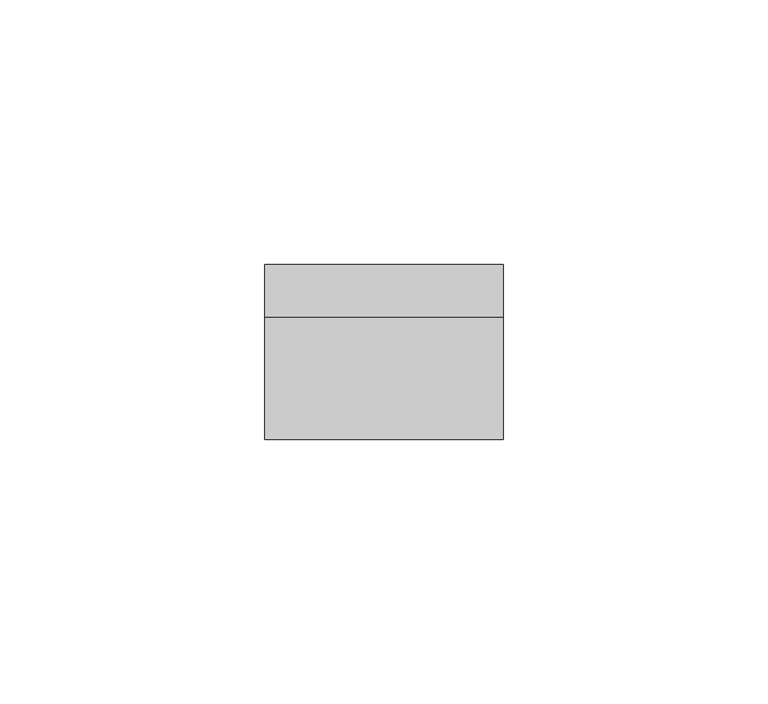
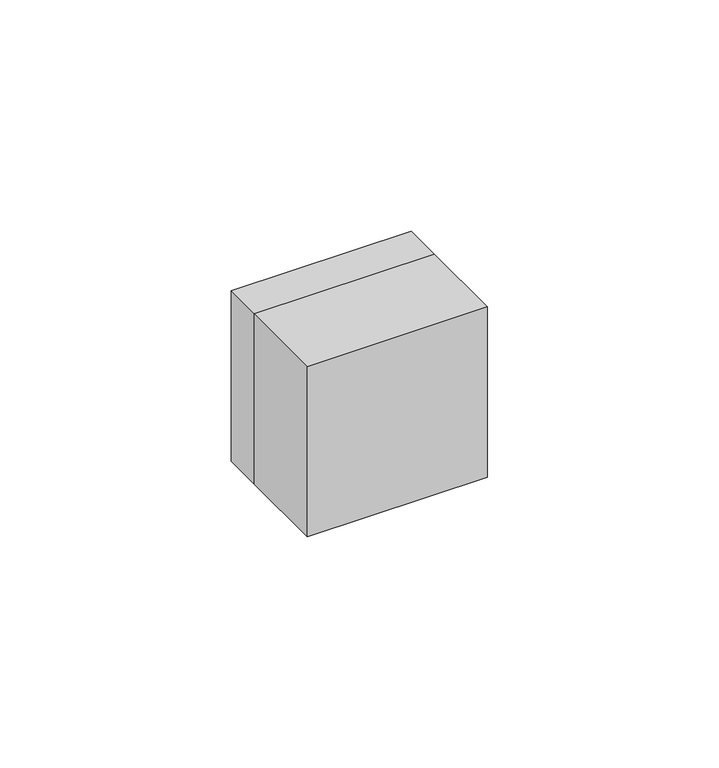
"""IFC4 building model written with IfcOpenShell, lengths in millimetres: electric appliance geometry."""

import ifcopenshell
import ifcopenshell.guid

model = None  # the IFC model being written
_history = None  # IfcOwnerHistory: only IFC2X3 demands one
_inside = {}  # id of a spatial element -> (the spatial element, [elements in it])
_under = {}  # id of a project, library or spatial element -> (it, [spatial elements below it])
_declared = {}  # id of a project -> (the project, [libraries it declares])
_typed = {}  # id of a type object -> (the type object, [elements of that type])
_made_of = {}  # id of a material, layer set ... -> (it, [elements and type objects made of it])


def new_model(schema):
    """Start an empty IFC model of exactly this schema.

    Asked for "IFC4X3", IfcOpenShell would pick the latest addendum, in which some entities
    have other attributes; the version numbers below select the first issue.
    IFC2X3 requires an IfcOwnerHistory on every rooted entity: one is made here for all.
    """
    global model, _history
    if schema == "IFC4X3":
        model = ifcopenshell.file(schema_version=(4, 3, 0, 0))
    else:
        model = ifcopenshell.file(schema=schema)
    _inside.clear()
    _under.clear()
    _declared.clear()
    _typed.clear()
    _made_of.clear()
    _history = None
    if model.schema == "IFC2X3":
        org = make("IfcOrganization", Name="unknown")
        user = make(
            "IfcPersonAndOrganization",
            ThePerson=make("IfcPerson", FamilyName="unknown"),
            TheOrganization=org,
        )
        app = make(
            "IfcApplication",
            ApplicationDeveloper=org,
            Version="unknown",
            ApplicationFullName="unknown",
            ApplicationIdentifier="unknown",
        )
        _history = make(
            "IfcOwnerHistory",
            OwningUser=user,
            OwningApplication=app,
            ChangeAction="ADDED",
            CreationDate=0,
        )
    return model


def make(cls, **values):
    """One entity of the class cls with the attributes given. An attribute that is None is left unset."""
    return model.create_entity(
        cls, **{name: value for name, value in values.items() if value is not None}
    )


def rooted(cls, **values):
    """An entity with a GlobalId (a new one), such as an element, a storey or a relation."""
    return make(cls, GlobalId=ifcopenshell.guid.new(), OwnerHistory=_history, **values)


def si_unit(unit_type, name, prefix=None):
    """IfcSIUnit, for example si_unit("LENGTHUNIT", "METRE", prefix="MILLI")."""
    return make("IfcSIUnit", UnitType=unit_type, Prefix=prefix, Name=name)


def assignment(units):
    """IfcUnitAssignment: the units of a project."""
    return None if units is None else make("IfcUnitAssignment", Units=units)


def point(xyz):
    """IfcCartesianPoint."""
    return None if xyz is None else make("IfcCartesianPoint", Coordinates=xyz)


def direction(xyz):
    """IfcDirection."""
    return None if xyz is None else make("IfcDirection", DirectionRatios=xyz)


def frame(location, z_axis=None, x_axis=None):
    """IfcAxis2Placement3D, a coordinate frame: its origin and axes. An axis left out is left unset."""
    return make(
        "IfcAxis2Placement3D",
        Location=point(location),
        Axis=direction(z_axis),
        RefDirection=direction(x_axis),
    )


def frame_2d(location, x_axis=None):
    """IfcAxis2Placement2D, a coordinate frame in the plane: its origin and x axis."""
    return make(
        "IfcAxis2Placement2D", Location=point(location), RefDirection=direction(x_axis)
    )


def origin():
    """The frame at (0, 0, 0) with its axes left unset."""
    return frame((0.0, 0.0, 0.0))


def place(relative_to, where):
    """IfcLocalPlacement: puts the frame where relative to a parent placement (None: the world)."""
    return make(
        "IfcLocalPlacement", PlacementRelTo=relative_to, RelativePlacement=where
    )


def context(
    kind, dimensions, precision=None, world=None, true_north=None, identifier=None
):
    """IfcGeometricRepresentationContext, for example the 3D "Model" context."""
    return make(
        "IfcGeometricRepresentationContext",
        ContextIdentifier=identifier,
        ContextType=kind,
        CoordinateSpaceDimension=dimensions,
        Precision=precision,
        WorldCoordinateSystem=world,
        TrueNorth=true_north,
    )


def project(units=None, contexts=None):
    """IfcProject with its units and contexts."""
    return rooted(
        "IfcProject",
        Name="project",
        RepresentationContexts=contexts,
        UnitsInContext=assignment(units),
    )


def spatial(cls, under=None, at=None, **own):
    """A site, building, storey or space (cls), placed at a placement, below another one or the project."""
    s = rooted(cls, ObjectPlacement=at, **own)
    if under is not None:
        _under.setdefault(under.id(), (under, []))[1].append(s)
    return s


def polyline(points):
    """IfcPolyline through the points."""
    return make("IfcPolyline", Points=[point(p) for p in points])


def circle_curve(where, radius):
    """IfcCircle in the frame where."""
    return make("IfcCircle", Position=where, Radius=radius)


def trimmed(basis, trim1, trim2, sense, master):
    """IfcTrimmedCurve: the piece of a basis curve between two trims."""
    return make(
        "IfcTrimmedCurve",
        BasisCurve=basis,
        Trim1=trim1,
        Trim2=trim2,
        SenseAgreement=sense,
        MasterRepresentation=master,
    )


def segment(curve, same_sense, transition):
    """IfcCompositeCurveSegment."""
    return make(
        "IfcCompositeCurveSegment",
        Transition=transition,
        SameSense=same_sense,
        ParentCurve=curve,
    )


def composite_curve(segments, self_intersect=None):
    """IfcCompositeCurve: segments joined end to end."""
    return make("IfcCompositeCurve", Segments=segments, SelfIntersect=self_intersect)


def outline(outer, holes=None, kind="AREA"):
    """IfcArbitraryClosedProfileDef: a profile drawn as a closed curve; with holes, ...WithVoids."""
    if holes is None:
        return make("IfcArbitraryClosedProfileDef", ProfileType=kind, OuterCurve=outer)
    return make(
        "IfcArbitraryProfileDefWithVoids",
        ProfileType=kind,
        OuterCurve=outer,
        InnerCurves=holes,
    )


def extrude(swept, where, along, depth):
    """IfcExtrudedAreaSolid: the profile swept, set in the frame where, extruded along a direction by depth."""
    return make(
        "IfcExtrudedAreaSolid",
        SweptArea=swept,
        Position=where,
        ExtrudedDirection=direction(along),
        Depth=depth,
    )


def shape(context_of_items, identifier, shape_type, items):
    """IfcShapeRepresentation: the items that make up one representation, for example the "Body"."""
    return make(
        "IfcShapeRepresentation",
        ContextOfItems=context_of_items,
        RepresentationIdentifier=identifier,
        RepresentationType=shape_type,
        Items=items,
    )


def source(mapping_origin, context_of_items, identifier, shape_type, items):
    """IfcRepresentationMap: a shape defined once, which mapped items show again and again."""
    return make(
        "IfcRepresentationMap",
        MappingOrigin=mapping_origin,
        MappedRepresentation=shape(context_of_items, identifier, shape_type, items),
    )


def transform(
    local_origin,
    x_axis=None,
    y_axis=None,
    z_axis=None,
    scale=None,
    scale2=None,
    scale3=None,
    uniform=True,
):
    """IfcCartesianTransformationOperator3D, or its non-uniform kind. x_axis, y_axis, z_axis: its Axis1, 2, 3."""
    if uniform:
        return make(
            "IfcCartesianTransformationOperator3D",
            Axis1=direction(x_axis),
            Axis2=direction(y_axis),
            LocalOrigin=point(local_origin),
            Scale=scale,
            Axis3=direction(z_axis),
        )
    return make(
        "IfcCartesianTransformationOperator3DnonUniform",
        Axis1=direction(x_axis),
        Axis2=direction(y_axis),
        LocalOrigin=point(local_origin),
        Scale=scale,
        Axis3=direction(z_axis),
        Scale2=scale2,
        Scale3=scale3,
    )


def mapped(mapping_source, mapping_target):
    """IfcMappedItem: shows the shape of a source again, moved by a transform."""
    return make(
        "IfcMappedItem", MappingSource=mapping_source, MappingTarget=mapping_target
    )


def made_of(thing, what):
    """Note that an element or type object is made of a material, layer set ...; save() writes the relation."""
    if what is not None:
        _made_of.setdefault(what.id(), (what, []))[1].append(thing)
    return thing


def element(
    cls,
    number,
    at=None,
    inside=None,
    cuts=None,
    type_object=None,
    material=None,
    context=None,
    identifier="Body",
    shape_type=None,
    held_by="IfcProductDefinitionShape",
    body=None,
    shapes=None,
    **own,
):
    """One element of the class cls, such as IfcWall. Its Tag is "e" and its number.

    at: its placement. inside: the storey or other place that contains it. cuts: it is an
    opening in that element (IfcRelVoidsElement). A single representation is given by context,
    identifier, shape_type and body (its items); several are given by shapes. held_by: the class
    of the entity that holds the representations. save() writes the other relations.
    """
    e = rooted(cls, Tag="e%d" % number, ObjectPlacement=at, **own)
    if body is not None:
        shapes = [shape(context, identifier, shape_type, body)]
    if shapes is not None:
        e.Representation = make(held_by, Representations=shapes)
    if inside is not None:
        _inside.setdefault(inside.id(), (inside, []))[1].append(e)
    if cuts is not None:
        rooted(
            "IfcRelVoidsElement", RelatingBuildingElement=cuts, RelatedOpeningElement=e
        )
    if type_object is not None:
        _typed.setdefault(type_object.id(), (type_object, []))[1].append(e)
    return made_of(e, material)


def aggregate(whole, parts):
    """IfcRelAggregates: a whole, such as a stair, and the parts it consists of."""
    return rooted("IfcRelAggregates", RelatingObject=whole, RelatedObjects=parts)


def save(model, path):
    """Write the relations noted so far, then the file.

    IfcRelAggregates (storeys below a building ...), IfcRelContainedInSpatialStructure (elements
    in a storey), IfcRelDefinesByType, IfcRelAssociatesMaterial and IfcRelDeclares: one each for
    every whole, place, type object, material and project.
    """
    for whole, parts in _under.values():
        aggregate(whole, parts)
    for where, things in _inside.values():
        rooted(
            "IfcRelContainedInSpatialStructure",
            RelatedElements=things,
            RelatingStructure=where,
        )
    for kind, things in _typed.values():
        rooted("IfcRelDefinesByType", RelatedObjects=things, RelatingType=kind)
    for what, things in _made_of.values():
        rooted("IfcRelAssociatesMaterial", RelatedObjects=things, RelatingMaterial=what)
    for by, libraries in _declared.values():
        rooted("IfcRelDeclares", RelatingContext=by, RelatedDefinitions=libraries)
    model.write(path)


def electric_appliance_13647e03(model_context):
    return source(origin(), model_context, "Body", "SweptSolid", [
        extrude(outline(composite_curve([segment(trimmed(circle_curve(frame_2d((0.0, -7.5)), 1.9), [point((0.0, -5.6))], [point((0.0, -9.4))], False, "CARTESIAN"), True, "CONTINUOUS"), segment(trimmed(circle_curve(frame_2d((0.0, -7.5)), 1.9), [point((0.0, -9.4))], [point((0.0, -5.6))], False, "CARTESIAN"), True, "CONTINUOUS")], self_intersect=False), holes=[composite_curve([segment(trimmed(circle_curve(frame_2d((0.0, -7.5)), 1.6), [point((0.0, -9.1))], [point((0.0, -5.9))], True, "CARTESIAN"), True, "CONTINUOUS"), segment(trimmed(circle_curve(frame_2d((0.0, -7.5)), 1.6), [point((0.0, -5.9))], [point((0.0, -9.1))], True, "CARTESIAN"), True, "CONTINUOUS")], self_intersect=False)]), frame((0.0, 0.0, 0.0), z_axis=(0.0, 1.0, 0.0), x_axis=(0.0, 0.0, 1.0)), (0.0, 0.0, 1.0), 10.0),
        extrude(outline(composite_curve([segment(trimmed(circle_curve(frame_2d((0.0, -7.5)), 5.8), [point((0.0, -1.7))], [point((0.0, -13.3))], False, "CARTESIAN"), True, "CONTINUOUS"), segment(trimmed(circle_curve(frame_2d((0.0, -7.5)), 5.8), [point((0.0, -13.3))], [point((0.0, -1.7))], False, "CARTESIAN"), True, "CONTINUOUS")], self_intersect=False), holes=[composite_curve([segment(trimmed(circle_curve(frame_2d((0.0, -7.5)), 5.5), [point((0.0, -2.0))], [point((0.0, -13.0))], True, "CARTESIAN"), True, "CONTINUOUS"), segment(trimmed(circle_curve(frame_2d((0.0, -7.5)), 5.5), [point((0.0, -13.0))], [point((0.0, -2.0))], True, "CARTESIAN"), True, "CONTINUOUS")], self_intersect=False)]), frame((0.0, 0.0, 0.0), z_axis=(0.0, 1.0, 0.0), x_axis=(0.0, 0.0, 1.0)), (0.0, 0.0, 1.0), 10.0),
        extrude(outline(polyline([(12.5, 0.0), (2.5, 0.0), (2.5, 7.0), (12.5, 7.0), (12.5, 0.0)])), frame((0.0, 0.0, 3.0), z_axis=(0.0, 0.0, 1.0), x_axis=(1.0, 0.0, 0.0)), (0.0, 0.0, 1.0), 1.0),
        extrude(outline(polyline([(22.5, -23.0), (-22.5, -23.0), (-22.5, 0.0), (22.5, 0.0), (22.5, -23.0)])), frame((0.0, 0.0, -22.5), z_axis=(0.0, 0.0, 1.0), x_axis=(1.0, 0.0, 0.0)), (0.0, 0.0, 1.0), 45.0),
        extrude(outline(polyline([(22.5, 22.5), (22.5, -22.5), (-22.5, -22.5), (-22.5, 22.5), (22.5, 22.5)]), holes=[polyline([(-7.0, 1.0), (7.0, 1.0), (7.0, 14.0), (-7.0, 14.0), (-7.0, 1.0)]), composite_curve([segment(trimmed(circle_curve(frame_2d((0.0, -7.5)), 6.1), [point((0.0, -1.4))], [point((0.0, -13.6))], True, "CARTESIAN"), True, "CONTINUOUS"), segment(trimmed(circle_curve(frame_2d((0.0, -7.5)), 6.1), [point((0.0, -13.6))], [point((0.0, -1.4))], True, "CARTESIAN"), True, "CONTINUOUS")], self_intersect=False)]), frame((0.0, 0.0, 0.0), z_axis=(0.0, 1.0, 0.0), x_axis=(0.0, 0.0, 1.0)), (0.0, 0.0, 1.0), 10.0),
        extrude(outline(polyline([(6.8, 13.8), (6.8, 1.2), (-6.8, 1.2), (-6.8, 13.8), (6.8, 13.8)]), holes=[polyline([(-6.0, 9.5037086), (-6.0, 5.4962914), (-4.5, 5.4962914), (-4.5, 2.9962914), (-3.0, 2.9962914), (-3.0, 1.5), (4.0, 1.5), (4.0, 13.5), (-3.0, 13.5), (-3.0, 12.0037086), (-4.5, 12.0037086), (-4.5, 9.5037086), (-6.0, 9.5037086)])]), frame((0.0, 0.0, 0.0), z_axis=(0.0, 1.0, 0.0), x_axis=(0.0, 0.0, 1.0)), (0.0, 0.0, 1.0), 10.0),
    ])


if __name__ == "__main__":
    model = new_model("IFC4")
    model_context = context("Model", 3, world=origin())
    ifc_project = project(units=[si_unit("LENGTHUNIT", "METRE", prefix="MILLI")], contexts=[model_context])
    site = spatial("IfcSite", under=ifc_project)
    building = spatial("IfcBuilding", under=site)
    placement = place(None, origin())
    electric_appliance_shape = electric_appliance_13647e03(model_context)
    element("IfcElectricAppliance", 1, at=placement, inside=building, context=model_context, shape_type="MappedRepresentation", body=[
        mapped(electric_appliance_shape, transform((0.0, 0.0, 0.0), x_axis=(1.0, 0.0, 0.0), y_axis=(0.0, 1.0, 0.0), z_axis=(0.0, 0.0, 1.0))),
    ])
    save(model, "model.ifc")
